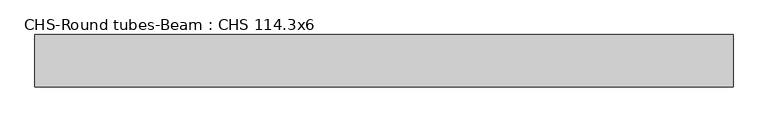
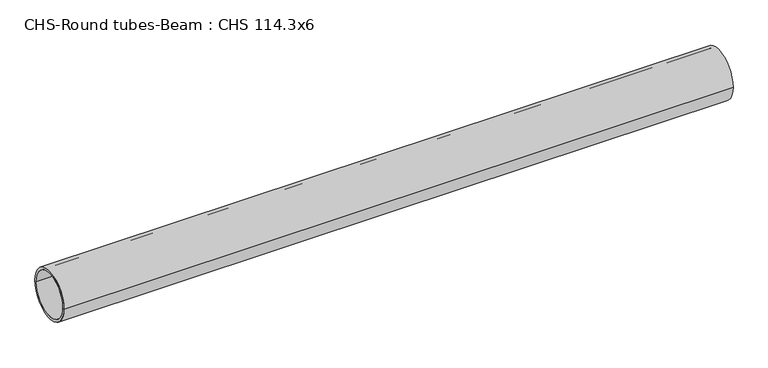
"""IFC4 building model written with IfcOpenShell, lengths in millimetres: beam geometry, CHS-Round tubes-Beam : CHS 114.3x6."""

from ifc_helpers import new_model, si_unit, point, frame, origin, origin_2d, place, context, project, spatial, circle_curve, trimmed, segment, composite_curve, outline, extrude, source, transform, mapped, element, save


def chs_round_tubes_beam_chs_114_3x6_21cb1257(model_context):
    return source(origin(), model_context, "Body", "SweptSolid", [
        extrude(outline(composite_curve([segment(trimmed(circle_curve(origin_2d(), 57.15), [point((57.15, 0.0))], [point((-57.15, 0.0))], False, "CARTESIAN"), True, "CONTINUOUS"), segment(trimmed(circle_curve(origin_2d(), 57.15), [point((-57.15, 0.0))], [point((57.15, 0.0))], False, "CARTESIAN"), True, "CONTINUOUS")], self_intersect=False), holes=[composite_curve([segment(trimmed(circle_curve(origin_2d(), 51.15), [point((51.15, 0.0))], [point((-51.15, 0.0))], True, "CARTESIAN"), True, "CONTINUOUS"), segment(trimmed(circle_curve(origin_2d(), 51.15), [point((-51.15, 0.0))], [point((51.15, 0.0))], True, "CARTESIAN"), True, "CONTINUOUS")], self_intersect=False)]), frame((-775.8396118, 0.0, 0.0), z_axis=(1.0, 0.0, 0.0), x_axis=(0.0, 1.0, 0.0)), (0.0, 0.0, 1.0), 1525.0501428),
    ])


if __name__ == "__main__":
    model = new_model("IFC4")
    model_context = context("Model", 3, world=origin())
    ifc_project = project(units=[si_unit("LENGTHUNIT", "METRE", prefix="MILLI")], contexts=[model_context])
    site = spatial("IfcSite", under=ifc_project)
    building = spatial("IfcBuilding", under=site)
    placement = place(None, origin())
    chs_round_tubes_beam_chs_114_3x6_shape = chs_round_tubes_beam_chs_114_3x6_21cb1257(model_context)
    element("IfcBeam", 1, ObjectType="CHS-Round tubes-Beam : CHS 114.3x6", at=placement, inside=building, context=model_context, shape_type="MappedRepresentation", body=[
        mapped(chs_round_tubes_beam_chs_114_3x6_shape, transform((0.0, 0.0, 0.0), x_axis=(1.0, 0.0, 0.0), y_axis=(0.0, 1.0, 0.0), z_axis=(0.0, 0.0, 1.0))),
    ])
    save(model, "model.ifc")
